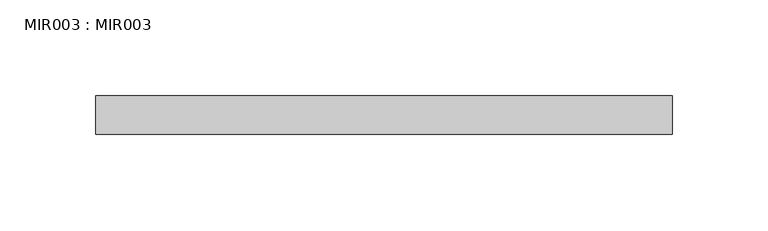
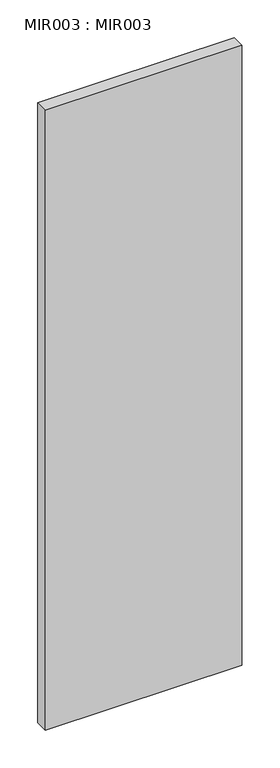
"""IFC4 building model written with IfcOpenShell, lengths in millimetres: proxy geometry, MIR003 : MIR003."""

from ifc_helpers import new_model, si_unit, origin, origin_with_axes, place, context, project, spatial, polyline, outline, extrude, source, transform, mapped, element, save


def mir003_mir003_216d9049(model_context):
    return source(origin(), model_context, "Body", "SweptSolid", [
        extrude(outline(polyline([(300.0000023, 0.0), (300.0000023, -20.0000011), (0.0, -20.0000011), (0.0, 0.0), (300.0000023, 0.0)])), origin_with_axes(), (0.0, 0.0, 1.0), 1000.0000076),
    ])


if __name__ == "__main__":
    model = new_model("IFC4")
    model_context = context("Model", 3, world=origin())
    ifc_project = project(units=[si_unit("LENGTHUNIT", "METRE", prefix="MILLI")], contexts=[model_context])
    site = spatial("IfcSite", under=ifc_project)
    building = spatial("IfcBuilding", under=site)
    placement = place(None, origin())
    mir003_mir003_shape = mir003_mir003_216d9049(model_context)
    element("IfcBuildingElementProxy", 1, Name="MIR003 : MIR003", ObjectType="MIR003 : MIR003", at=placement, inside=building, context=model_context, shape_type="MappedRepresentation", body=[
        mapped(mir003_mir003_shape, transform((0.0, 0.0, 0.0), x_axis=(1.0, 0.0, 0.0), y_axis=(0.0, 1.0, 0.0), z_axis=(0.0, 0.0, 1.0))),
    ])
    save(model, "model.ifc")
